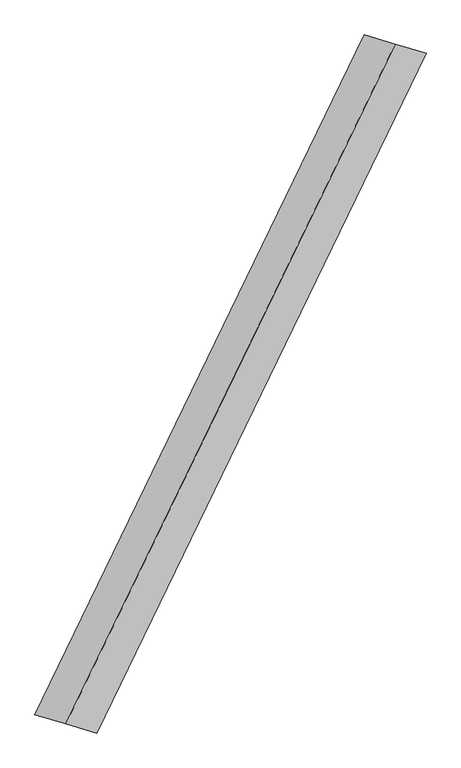
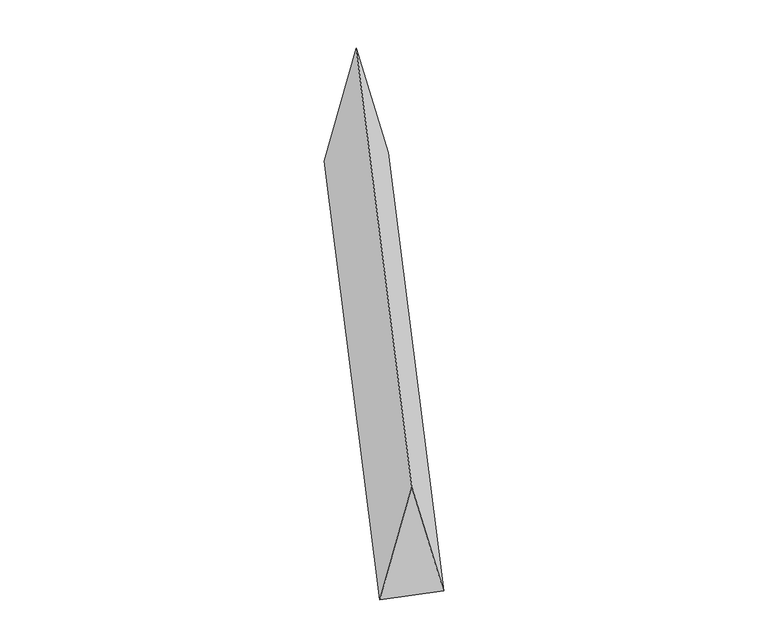
"""IFC4 building model written with IfcOpenShell, lengths in millimetres: proxy geometry."""

from ifc_helpers import new_model, si_unit, origin, place, context, project, spatial, faceted_brep, source, transform, mapped, element, save


def generic_models_72512492(model_context):
    return source(origin(), model_context, "Body", "Brep", [
        faceted_brep([(-883.9211383, -1824.368989, 700.0), (-718.2640784, -1873.2816585, 0.0), (1049.5781983, 1775.4563195, 0.0), (883.9211383, 1824.368989, 700.0), (-1049.5781983, -1775.4563195, 0.0), (718.2640784, 1873.2816585, 0.0)], [[[0, 1, 2, 3]], [[1, 4, 5, 2]], [[4, 0, 3, 5]], [[3, 2, 5]], [[0, 4, 1]]]),
    ])


if __name__ == "__main__":
    model = new_model("IFC4")
    model_context = context("Model", 3, world=origin())
    ifc_project = project(units=[si_unit("LENGTHUNIT", "METRE", prefix="MILLI")], contexts=[model_context])
    site = spatial("IfcSite", under=ifc_project)
    building = spatial("IfcBuilding", under=site)
    placement = place(None, origin())
    generic_models_shape = generic_models_72512492(model_context)
    element("IfcBuildingElementProxy", 1, Name="Generic Models", at=placement, inside=building, context=model_context, shape_type="MappedRepresentation", body=[
        mapped(generic_models_shape, transform((0.0, 0.0, 0.0), x_axis=(1.0, 0.0, 0.0), y_axis=(0.0, 1.0, 0.0), z_axis=(0.0, 0.0, 1.0))),
    ])
    save(model, "model.ifc")
